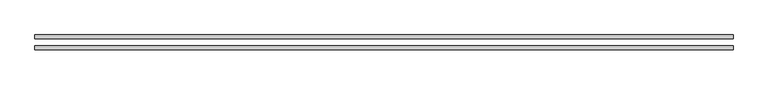
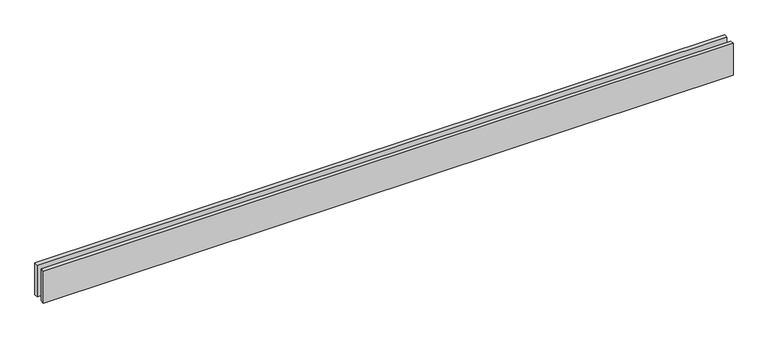
"""IFC4 building model written with IfcOpenShell, lengths in millimetres: proxy geometry."""

from ifc_helpers import new_model, si_unit, origin, origin_with_axes, place, context, project, spatial, polyline, outline, extrude, source, transform, mapped, element, save


def generic_models_4905eb72(model_context):
    return source(origin(), model_context, "Body", "SweptSolid", [
        extrude(outline(polyline([(5135.0, 25.0), (0.0, 25.0), (0.0, 55.0), (5135.0, 55.0), (5135.0, 25.0)])), origin_with_axes(), (0.0, 0.0, 1.0), 250.0),
        extrude(outline(polyline([(5135.0, -55.0), (0.0, -55.0), (0.0, -25.0), (5135.0, -25.0), (5135.0, -55.0)])), origin_with_axes(), (0.0, 0.0, 1.0), 250.0),
    ])


if __name__ == "__main__":
    model = new_model("IFC4")
    model_context = context("Model", 3, world=origin())
    ifc_project = project(units=[si_unit("LENGTHUNIT", "METRE", prefix="MILLI")], contexts=[model_context])
    site = spatial("IfcSite", under=ifc_project)
    building = spatial("IfcBuilding", under=site)
    placement = place(None, origin())
    generic_models_shape = generic_models_4905eb72(model_context)
    element("IfcBuildingElementProxy", 1, Name="Generic Models", at=placement, inside=building, context=model_context, shape_type="MappedRepresentation", body=[
        mapped(generic_models_shape, transform((0.0, 0.0, 0.0), x_axis=(1.0, 0.0, 0.0), y_axis=(0.0, 1.0, 0.0), z_axis=(0.0, 0.0, 1.0))),
    ])
    save(model, "model.ifc")
